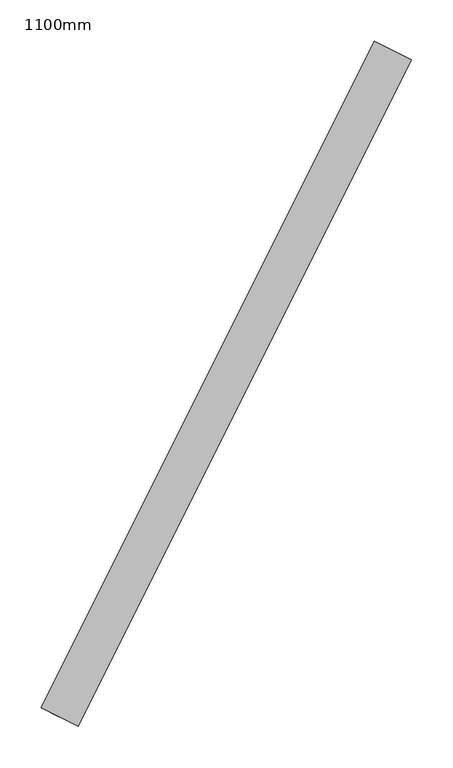
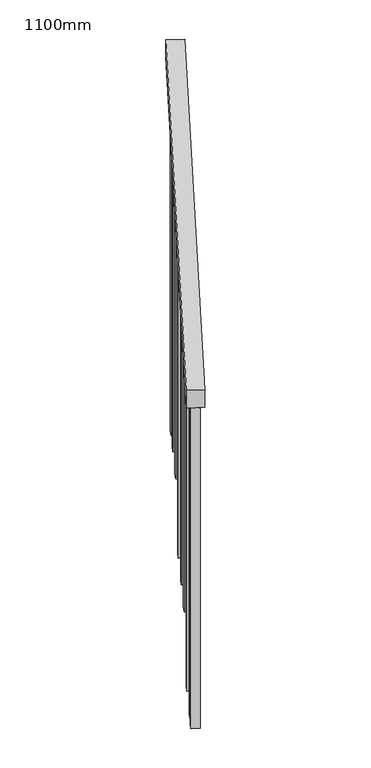
"""IFC4 building model written with IfcOpenShell, lengths in millimetres: railing geometry, 1100mm."""

import ifcopenshell
import ifcopenshell.guid

model = None  # the IFC model being written
_history = None  # IfcOwnerHistory: only IFC2X3 demands one
_inside = {}  # id of a spatial element -> (the spatial element, [elements in it])
_under = {}  # id of a project, library or spatial element -> (it, [spatial elements below it])
_declared = {}  # id of a project -> (the project, [libraries it declares])
_typed = {}  # id of a type object -> (the type object, [elements of that type])
_made_of = {}  # id of a material, layer set ... -> (it, [elements and type objects made of it])


def new_model(schema):
    """Start an empty IFC model of exactly this schema.

    Asked for "IFC4X3", IfcOpenShell would pick the latest addendum, in which some entities
    have other attributes; the version numbers below select the first issue.
    IFC2X3 requires an IfcOwnerHistory on every rooted entity: one is made here for all.
    """
    global model, _history
    if schema == "IFC4X3":
        model = ifcopenshell.file(schema_version=(4, 3, 0, 0))
    else:
        model = ifcopenshell.file(schema=schema)
    _inside.clear()
    _under.clear()
    _declared.clear()
    _typed.clear()
    _made_of.clear()
    _history = None
    if model.schema == "IFC2X3":
        org = make("IfcOrganization", Name="unknown")
        user = make(
            "IfcPersonAndOrganization",
            ThePerson=make("IfcPerson", FamilyName="unknown"),
            TheOrganization=org,
        )
        app = make(
            "IfcApplication",
            ApplicationDeveloper=org,
            Version="unknown",
            ApplicationFullName="unknown",
            ApplicationIdentifier="unknown",
        )
        _history = make(
            "IfcOwnerHistory",
            OwningUser=user,
            OwningApplication=app,
            ChangeAction="ADDED",
            CreationDate=0,
        )
    return model


def make(cls, **values):
    """One entity of the class cls with the attributes given. An attribute that is None is left unset."""
    return model.create_entity(
        cls, **{name: value for name, value in values.items() if value is not None}
    )


def rooted(cls, **values):
    """An entity with a GlobalId (a new one), such as an element, a storey or a relation."""
    return make(cls, GlobalId=ifcopenshell.guid.new(), OwnerHistory=_history, **values)


def si_unit(unit_type, name, prefix=None):
    """IfcSIUnit, for example si_unit("LENGTHUNIT", "METRE", prefix="MILLI")."""
    return make("IfcSIUnit", UnitType=unit_type, Prefix=prefix, Name=name)


def assignment(units):
    """IfcUnitAssignment: the units of a project."""
    return None if units is None else make("IfcUnitAssignment", Units=units)


def point(xyz):
    """IfcCartesianPoint."""
    return None if xyz is None else make("IfcCartesianPoint", Coordinates=xyz)


def direction(xyz):
    """IfcDirection."""
    return None if xyz is None else make("IfcDirection", DirectionRatios=xyz)


def frame(location, z_axis=None, x_axis=None):
    """IfcAxis2Placement3D, a coordinate frame: its origin and axes. An axis left out is left unset."""
    return make(
        "IfcAxis2Placement3D",
        Location=point(location),
        Axis=direction(z_axis),
        RefDirection=direction(x_axis),
    )


def origin():
    """The frame at (0, 0, 0) with its axes left unset."""
    return frame((0.0, 0.0, 0.0))


def place(relative_to, where):
    """IfcLocalPlacement: puts the frame where relative to a parent placement (None: the world)."""
    return make(
        "IfcLocalPlacement", PlacementRelTo=relative_to, RelativePlacement=where
    )


def context(
    kind, dimensions, precision=None, world=None, true_north=None, identifier=None
):
    """IfcGeometricRepresentationContext, for example the 3D "Model" context."""
    return make(
        "IfcGeometricRepresentationContext",
        ContextIdentifier=identifier,
        ContextType=kind,
        CoordinateSpaceDimension=dimensions,
        Precision=precision,
        WorldCoordinateSystem=world,
        TrueNorth=true_north,
    )


def project(units=None, contexts=None):
    """IfcProject with its units and contexts."""
    return rooted(
        "IfcProject",
        Name="project",
        RepresentationContexts=contexts,
        UnitsInContext=assignment(units),
    )


def spatial(cls, under=None, at=None, **own):
    """A site, building, storey or space (cls), placed at a placement, below another one or the project."""
    s = rooted(cls, ObjectPlacement=at, **own)
    if under is not None:
        _under.setdefault(under.id(), (under, []))[1].append(s)
    return s


def polyline(points):
    """IfcPolyline through the points."""
    return make("IfcPolyline", Points=[point(p) for p in points])


def outline(outer, holes=None, kind="AREA"):
    """IfcArbitraryClosedProfileDef: a profile drawn as a closed curve; with holes, ...WithVoids."""
    if holes is None:
        return make("IfcArbitraryClosedProfileDef", ProfileType=kind, OuterCurve=outer)
    return make(
        "IfcArbitraryProfileDefWithVoids",
        ProfileType=kind,
        OuterCurve=outer,
        InnerCurves=holes,
    )


def extrude(swept, where, along, depth):
    """IfcExtrudedAreaSolid: the profile swept, set in the frame where, extruded along a direction by depth."""
    return make(
        "IfcExtrudedAreaSolid",
        SweptArea=swept,
        Position=where,
        ExtrudedDirection=direction(along),
        Depth=depth,
    )


def shape(context_of_items, identifier, shape_type, items):
    """IfcShapeRepresentation: the items that make up one representation, for example the "Body"."""
    return make(
        "IfcShapeRepresentation",
        ContextOfItems=context_of_items,
        RepresentationIdentifier=identifier,
        RepresentationType=shape_type,
        Items=items,
    )


def source(mapping_origin, context_of_items, identifier, shape_type, items):
    """IfcRepresentationMap: a shape defined once, which mapped items show again and again."""
    return make(
        "IfcRepresentationMap",
        MappingOrigin=mapping_origin,
        MappedRepresentation=shape(context_of_items, identifier, shape_type, items),
    )


def transform(
    local_origin,
    x_axis=None,
    y_axis=None,
    z_axis=None,
    scale=None,
    scale2=None,
    scale3=None,
    uniform=True,
):
    """IfcCartesianTransformationOperator3D, or its non-uniform kind. x_axis, y_axis, z_axis: its Axis1, 2, 3."""
    if uniform:
        return make(
            "IfcCartesianTransformationOperator3D",
            Axis1=direction(x_axis),
            Axis2=direction(y_axis),
            LocalOrigin=point(local_origin),
            Scale=scale,
            Axis3=direction(z_axis),
        )
    return make(
        "IfcCartesianTransformationOperator3DnonUniform",
        Axis1=direction(x_axis),
        Axis2=direction(y_axis),
        LocalOrigin=point(local_origin),
        Scale=scale,
        Axis3=direction(z_axis),
        Scale2=scale2,
        Scale3=scale3,
    )


def mapped(mapping_source, mapping_target):
    """IfcMappedItem: shows the shape of a source again, moved by a transform."""
    return make(
        "IfcMappedItem", MappingSource=mapping_source, MappingTarget=mapping_target
    )


def made_of(thing, what):
    """Note that an element or type object is made of a material, layer set ...; save() writes the relation."""
    if what is not None:
        _made_of.setdefault(what.id(), (what, []))[1].append(thing)
    return thing


def element(
    cls,
    number,
    at=None,
    inside=None,
    cuts=None,
    type_object=None,
    material=None,
    context=None,
    identifier="Body",
    shape_type=None,
    held_by="IfcProductDefinitionShape",
    body=None,
    shapes=None,
    **own,
):
    """One element of the class cls, such as IfcWall. Its Tag is "e" and its number.

    at: its placement. inside: the storey or other place that contains it. cuts: it is an
    opening in that element (IfcRelVoidsElement). A single representation is given by context,
    identifier, shape_type and body (its items); several are given by shapes. held_by: the class
    of the entity that holds the representations. save() writes the other relations.
    """
    e = rooted(cls, Tag="e%d" % number, ObjectPlacement=at, **own)
    if body is not None:
        shapes = [shape(context, identifier, shape_type, body)]
    if shapes is not None:
        e.Representation = make(held_by, Representations=shapes)
    if inside is not None:
        _inside.setdefault(inside.id(), (inside, []))[1].append(e)
    if cuts is not None:
        rooted(
            "IfcRelVoidsElement", RelatingBuildingElement=cuts, RelatedOpeningElement=e
        )
    if type_object is not None:
        _typed.setdefault(type_object.id(), (type_object, []))[1].append(e)
    return made_of(e, material)


def aggregate(whole, parts):
    """IfcRelAggregates: a whole, such as a stair, and the parts it consists of."""
    return rooted("IfcRelAggregates", RelatingObject=whole, RelatedObjects=parts)


def save(model, path):
    """Write the relations noted so far, then the file.

    IfcRelAggregates (storeys below a building ...), IfcRelContainedInSpatialStructure (elements
    in a storey), IfcRelDefinesByType, IfcRelAssociatesMaterial and IfcRelDeclares: one each for
    every whole, place, type object, material and project.
    """
    for whole, parts in _under.values():
        aggregate(whole, parts)
    for where, things in _inside.values():
        rooted(
            "IfcRelContainedInSpatialStructure",
            RelatedElements=things,
            RelatingStructure=where,
        )
    for kind, things in _typed.values():
        rooted("IfcRelDefinesByType", RelatedObjects=things, RelatingType=kind)
    for what, things in _made_of.values():
        rooted("IfcRelAssociatesMaterial", RelatedObjects=things, RelatingMaterial=what)
    for by, libraries in _declared.values():
        rooted("IfcRelDeclares", RelatingContext=by, RelatedDefinitions=libraries)
    model.write(path)


def railing_1100mm_d5178ba1(model_context):
    return source(origin(), model_context, "Body", "SweptSolid", [
        extrude(outline(polyline([(28.3331189, -50.0), (0.0, 0.0), (1034.4623056, 0.0), (1062.7954245, -50.0), (28.3331189, -50.0)])), frame((-296551.8199107, 63564.3725354, 1212.5303069), z_axis=(-0.8946665688777414, 0.44673451907428174, 0.0), x_axis=(0.3886696578091599, 0.7783811958376725, 0.4930097474338874)), (0.0, 0.0, 1.0), 50.0),
        extrude(outline(polyline([(1262.9413905, 25.0), (1262.9413905, 0.0), (92.9167536, 0.0), (107.0832464, 25.0), (1262.9413905, 25.0)])), frame((-296194.4472646, 64308.0566362, 1772.9413905), z_axis=(-0.8946665688777414, 0.44673451907428174, 0.0), x_axis=(0.0, 0.0, -1.0)), (0.0, 0.0, 1.0), 25.0),
        extrude(outline(polyline([(1192.1089262, 25.0), (1192.1089262, 0.0), (92.9167536, 0.0), (107.0832464, 25.0), (1192.1089262, 25.0)])), frame((-296250.2890795, 64196.2233151, 1702.1089262), z_axis=(-0.8946665688777414, 0.44673451907428174, 0.0), x_axis=(0.0, 0.0, -1.0)), (0.0, 0.0, 1.0), 25.0),
        extrude(outline(polyline([(1291.2764619, 24.9999999), (1291.2764619, 0.0), (92.9167536, 0.0), (107.0832464, 24.9999999), (1291.2764619, 24.9999999)])), frame((-296306.1308944, 64084.389994, 1631.2764619), z_axis=(-0.8946665688777414, 0.44673451907428174, 0.0), x_axis=(0.0, 0.0, -1.0)), (0.0, 0.0, 1.0), 25.0),
        extrude(outline(polyline([(1220.4439976, 25.0), (1220.4439976, 0.0), (92.9167536, 0.0), (107.0832464, 25.0), (1220.4439976, 25.0)])), frame((-296361.9727092, 63972.5566729, 1560.4439976), z_axis=(-0.8946665688777414, 0.44673451907428174, 0.0), x_axis=(0.0, 0.0, -1.0)), (0.0, 0.0, 1.0), 25.0),
        extrude(outline(polyline([(1149.6136189, 25.0), (1149.6136189, 0.0), (92.9167535, 0.0), (107.0832464, 25.0), (1149.6136189, 25.0)])), frame((-296417.8145241, 63860.7233518, 1489.6136189), z_axis=(-0.8946665688777414, 0.44673451907428174, 0.0), x_axis=(0.0, 0.0, -1.0)), (0.0, 0.0, 1.0), 25.0),
        extrude(outline(polyline([(1248.779069, 25.0), (1248.779069, 0.0), (92.9167536, 0.0), (107.0832465, 25.0), (1248.779069, 25.0)])), frame((-296473.656339, 63748.8900307, 1418.779069), z_axis=(-0.8946665688777414, 0.44673451907428174, 0.0), x_axis=(0.0, 0.0, -1.0)), (0.0, 0.0, 1.0), 25.0),
        extrude(outline(polyline([(1177.9466047, 25.0), (1177.9466047, 0.0), (92.9167536, 0.0), (107.0832465, 25.0), (1177.9466047, 25.0)])), frame((-296529.4981539, 63637.0567096, 1347.9466047), z_axis=(-0.8946665688777414, 0.44673451907428174, 0.0), x_axis=(0.0, 0.0, -1.0)), (0.0, 0.0, 1.0), 25.0),
        extrude(outline(polyline([(1305.4471261, 25.0), (1305.4471261, 0.0), (92.9167536, 0.0), (107.0832464, 25.0), (1305.4471261, 25.0)])), frame((-296160.9391325, 64375.1627234, 1815.4471261), z_axis=(-0.8946665688777414, 0.44673451907428174, 0.0), x_axis=(0.0, 0.0, -1.0)), (0.0, 0.0, 1.0), 25.0),
        extrude(outline(polyline([(1149.6136189, 24.9999999), (1149.6136189, 0.0), (92.9167535, 0.0), (107.0832464, 24.9999999), (1149.6136189, 24.9999999)])), frame((-296551.8348799, 63592.3233811, 1319.6136189), z_axis=(-0.8946665688777414, 0.44673451907428174, 0.0), x_axis=(0.0, 0.0, -1.0)), (0.0, 0.0, 1.0), 25.0),
    ])


if __name__ == "__main__":
    model = new_model("IFC4")
    model_context = context("Model", 3, world=origin())
    ifc_project = project(units=[si_unit("LENGTHUNIT", "METRE", prefix="MILLI")], contexts=[model_context])
    site = spatial("IfcSite", under=ifc_project)
    building = spatial("IfcBuilding", under=site)
    placement = place(None, origin())
    railing_1100mm_shape = railing_1100mm_d5178ba1(model_context)
    element("IfcRailing", 1, ObjectType="1100mm", at=placement, inside=building, context=model_context, shape_type="MappedRepresentation", body=[
        mapped(railing_1100mm_shape, transform((0.0, 0.0, 0.0), x_axis=(1.0, 0.0, 0.0), y_axis=(0.0, 1.0, 0.0), z_axis=(0.0, 0.0, 1.0))),
    ])
    save(model, "model.ifc")
